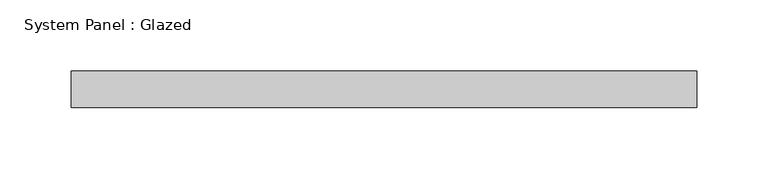
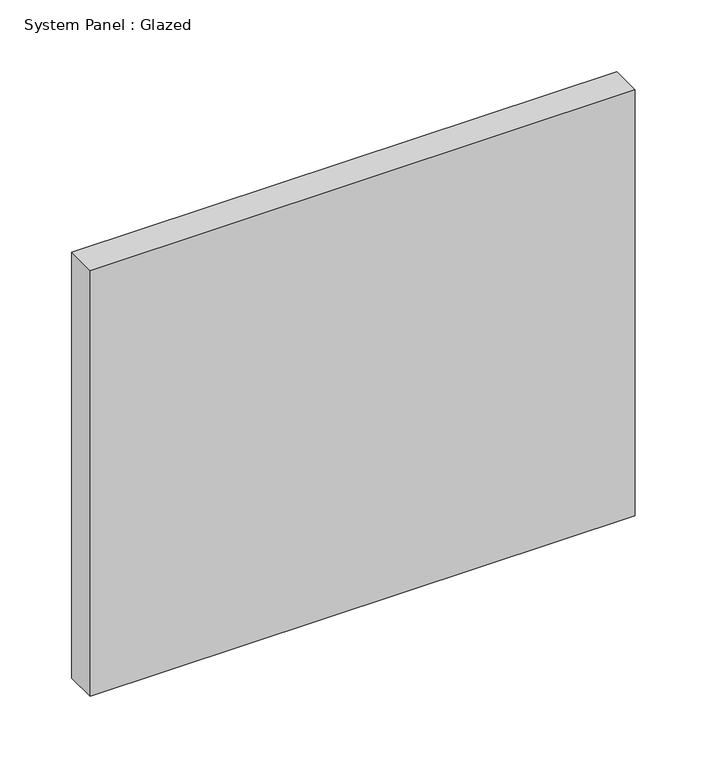
"""IFC4 building model written with IfcOpenShell, lengths in millimetres: plate geometry, System Panel : Glazed."""

from ifc_helpers import new_model, si_unit, origin, origin_with_axes, place, context, project, spatial, polyline, outline, extrude, source, transform, mapped, element, save


def system_panel_glazed_ab1b39e5(model_context):
    return source(origin(), model_context, "Body", "SweptSolid", [
        extrude(outline(polyline([(219.075, -12.7), (-219.075, -12.7), (-219.075, 12.7), (219.075, 12.7), (219.075, -12.7)])), origin_with_axes(), (0.0, 0.0, 1.0), 361.45),
    ])


if __name__ == "__main__":
    model = new_model("IFC4")
    model_context = context("Model", 3, world=origin())
    ifc_project = project(units=[si_unit("LENGTHUNIT", "METRE", prefix="MILLI")], contexts=[model_context])
    site = spatial("IfcSite", under=ifc_project)
    building = spatial("IfcBuilding", under=site)
    placement = place(None, origin())
    system_panel_glazed_shape = system_panel_glazed_ab1b39e5(model_context)
    element("IfcPlate", 1, ObjectType="System Panel : Glazed", at=placement, inside=building, context=model_context, shape_type="MappedRepresentation", body=[
        mapped(system_panel_glazed_shape, transform((0.0, 0.0, 0.0), x_axis=(1.0, 0.0, 0.0), y_axis=(0.0, 1.0, 0.0), z_axis=(0.0, 0.0, 1.0))),
    ])
    save(model, "model.ifc")
